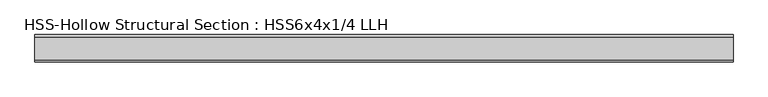
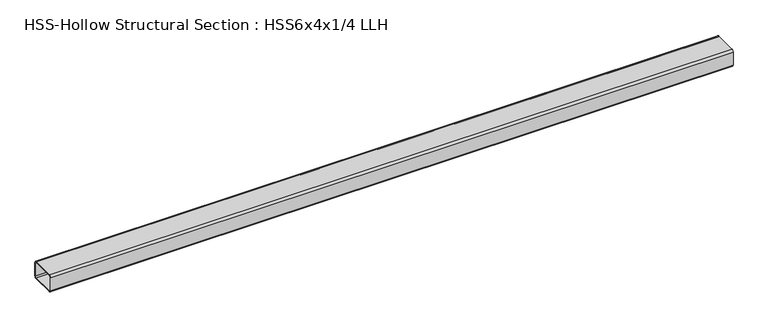
"""IFC4 building model written with IfcOpenShell, lengths in millimetres: beam geometry, HSS-Hollow Structural Section : HSS6x4x1/4 LLH."""

import ifcopenshell
import ifcopenshell.guid

model = None  # the IFC model being written
_history = None  # IfcOwnerHistory: only IFC2X3 demands one
_inside = {}  # id of a spatial element -> (the spatial element, [elements in it])
_under = {}  # id of a project, library or spatial element -> (it, [spatial elements below it])
_declared = {}  # id of a project -> (the project, [libraries it declares])
_typed = {}  # id of a type object -> (the type object, [elements of that type])
_made_of = {}  # id of a material, layer set ... -> (it, [elements and type objects made of it])


def new_model(schema):
    """Start an empty IFC model of exactly this schema.

    Asked for "IFC4X3", IfcOpenShell would pick the latest addendum, in which some entities
    have other attributes; the version numbers below select the first issue.
    IFC2X3 requires an IfcOwnerHistory on every rooted entity: one is made here for all.
    """
    global model, _history
    if schema == "IFC4X3":
        model = ifcopenshell.file(schema_version=(4, 3, 0, 0))
    else:
        model = ifcopenshell.file(schema=schema)
    _inside.clear()
    _under.clear()
    _declared.clear()
    _typed.clear()
    _made_of.clear()
    _history = None
    if model.schema == "IFC2X3":
        org = make("IfcOrganization", Name="unknown")
        user = make(
            "IfcPersonAndOrganization",
            ThePerson=make("IfcPerson", FamilyName="unknown"),
            TheOrganization=org,
        )
        app = make(
            "IfcApplication",
            ApplicationDeveloper=org,
            Version="unknown",
            ApplicationFullName="unknown",
            ApplicationIdentifier="unknown",
        )
        _history = make(
            "IfcOwnerHistory",
            OwningUser=user,
            OwningApplication=app,
            ChangeAction="ADDED",
            CreationDate=0,
        )
    return model


def make(cls, **values):
    """One entity of the class cls with the attributes given. An attribute that is None is left unset."""
    return model.create_entity(
        cls, **{name: value for name, value in values.items() if value is not None}
    )


def rooted(cls, **values):
    """An entity with a GlobalId (a new one), such as an element, a storey or a relation."""
    return make(cls, GlobalId=ifcopenshell.guid.new(), OwnerHistory=_history, **values)


def si_unit(unit_type, name, prefix=None):
    """IfcSIUnit, for example si_unit("LENGTHUNIT", "METRE", prefix="MILLI")."""
    return make("IfcSIUnit", UnitType=unit_type, Prefix=prefix, Name=name)


def assignment(units):
    """IfcUnitAssignment: the units of a project."""
    return None if units is None else make("IfcUnitAssignment", Units=units)


def point(xyz):
    """IfcCartesianPoint."""
    return None if xyz is None else make("IfcCartesianPoint", Coordinates=xyz)


def direction(xyz):
    """IfcDirection."""
    return None if xyz is None else make("IfcDirection", DirectionRatios=xyz)


def frame(location, z_axis=None, x_axis=None):
    """IfcAxis2Placement3D, a coordinate frame: its origin and axes. An axis left out is left unset."""
    return make(
        "IfcAxis2Placement3D",
        Location=point(location),
        Axis=direction(z_axis),
        RefDirection=direction(x_axis),
    )


def frame_2d(location, x_axis=None):
    """IfcAxis2Placement2D, a coordinate frame in the plane: its origin and x axis."""
    return make(
        "IfcAxis2Placement2D", Location=point(location), RefDirection=direction(x_axis)
    )


def origin():
    """The frame at (0, 0, 0) with its axes left unset."""
    return frame((0.0, 0.0, 0.0))


def place(relative_to, where):
    """IfcLocalPlacement: puts the frame where relative to a parent placement (None: the world)."""
    return make(
        "IfcLocalPlacement", PlacementRelTo=relative_to, RelativePlacement=where
    )


def context(
    kind, dimensions, precision=None, world=None, true_north=None, identifier=None
):
    """IfcGeometricRepresentationContext, for example the 3D "Model" context."""
    return make(
        "IfcGeometricRepresentationContext",
        ContextIdentifier=identifier,
        ContextType=kind,
        CoordinateSpaceDimension=dimensions,
        Precision=precision,
        WorldCoordinateSystem=world,
        TrueNorth=true_north,
    )


def project(units=None, contexts=None):
    """IfcProject with its units and contexts."""
    return rooted(
        "IfcProject",
        Name="project",
        RepresentationContexts=contexts,
        UnitsInContext=assignment(units),
    )


def spatial(cls, under=None, at=None, **own):
    """A site, building, storey or space (cls), placed at a placement, below another one or the project."""
    s = rooted(cls, ObjectPlacement=at, **own)
    if under is not None:
        _under.setdefault(under.id(), (under, []))[1].append(s)
    return s


def polyline(points):
    """IfcPolyline through the points."""
    return make("IfcPolyline", Points=[point(p) for p in points])


def circle_curve(where, radius):
    """IfcCircle in the frame where."""
    return make("IfcCircle", Position=where, Radius=radius)


def trimmed(basis, trim1, trim2, sense, master):
    """IfcTrimmedCurve: the piece of a basis curve between two trims."""
    return make(
        "IfcTrimmedCurve",
        BasisCurve=basis,
        Trim1=trim1,
        Trim2=trim2,
        SenseAgreement=sense,
        MasterRepresentation=master,
    )


def segment(curve, same_sense, transition):
    """IfcCompositeCurveSegment."""
    return make(
        "IfcCompositeCurveSegment",
        Transition=transition,
        SameSense=same_sense,
        ParentCurve=curve,
    )


def composite_curve(segments, self_intersect=None):
    """IfcCompositeCurve: segments joined end to end."""
    return make("IfcCompositeCurve", Segments=segments, SelfIntersect=self_intersect)


def outline(outer, holes=None, kind="AREA"):
    """IfcArbitraryClosedProfileDef: a profile drawn as a closed curve; with holes, ...WithVoids."""
    if holes is None:
        return make("IfcArbitraryClosedProfileDef", ProfileType=kind, OuterCurve=outer)
    return make(
        "IfcArbitraryProfileDefWithVoids",
        ProfileType=kind,
        OuterCurve=outer,
        InnerCurves=holes,
    )


def extrude(swept, where, along, depth):
    """IfcExtrudedAreaSolid: the profile swept, set in the frame where, extruded along a direction by depth."""
    return make(
        "IfcExtrudedAreaSolid",
        SweptArea=swept,
        Position=where,
        ExtrudedDirection=direction(along),
        Depth=depth,
    )


def shape(context_of_items, identifier, shape_type, items):
    """IfcShapeRepresentation: the items that make up one representation, for example the "Body"."""
    return make(
        "IfcShapeRepresentation",
        ContextOfItems=context_of_items,
        RepresentationIdentifier=identifier,
        RepresentationType=shape_type,
        Items=items,
    )


def source(mapping_origin, context_of_items, identifier, shape_type, items):
    """IfcRepresentationMap: a shape defined once, which mapped items show again and again."""
    return make(
        "IfcRepresentationMap",
        MappingOrigin=mapping_origin,
        MappedRepresentation=shape(context_of_items, identifier, shape_type, items),
    )


def transform(
    local_origin,
    x_axis=None,
    y_axis=None,
    z_axis=None,
    scale=None,
    scale2=None,
    scale3=None,
    uniform=True,
):
    """IfcCartesianTransformationOperator3D, or its non-uniform kind. x_axis, y_axis, z_axis: its Axis1, 2, 3."""
    if uniform:
        return make(
            "IfcCartesianTransformationOperator3D",
            Axis1=direction(x_axis),
            Axis2=direction(y_axis),
            LocalOrigin=point(local_origin),
            Scale=scale,
            Axis3=direction(z_axis),
        )
    return make(
        "IfcCartesianTransformationOperator3DnonUniform",
        Axis1=direction(x_axis),
        Axis2=direction(y_axis),
        LocalOrigin=point(local_origin),
        Scale=scale,
        Axis3=direction(z_axis),
        Scale2=scale2,
        Scale3=scale3,
    )


def mapped(mapping_source, mapping_target):
    """IfcMappedItem: shows the shape of a source again, moved by a transform."""
    return make(
        "IfcMappedItem", MappingSource=mapping_source, MappingTarget=mapping_target
    )


def made_of(thing, what):
    """Note that an element or type object is made of a material, layer set ...; save() writes the relation."""
    if what is not None:
        _made_of.setdefault(what.id(), (what, []))[1].append(thing)
    return thing


def element(
    cls,
    number,
    at=None,
    inside=None,
    cuts=None,
    type_object=None,
    material=None,
    context=None,
    identifier="Body",
    shape_type=None,
    held_by="IfcProductDefinitionShape",
    body=None,
    shapes=None,
    **own,
):
    """One element of the class cls, such as IfcWall. Its Tag is "e" and its number.

    at: its placement. inside: the storey or other place that contains it. cuts: it is an
    opening in that element (IfcRelVoidsElement). A single representation is given by context,
    identifier, shape_type and body (its items); several are given by shapes. held_by: the class
    of the entity that holds the representations. save() writes the other relations.
    """
    e = rooted(cls, Tag="e%d" % number, ObjectPlacement=at, **own)
    if body is not None:
        shapes = [shape(context, identifier, shape_type, body)]
    if shapes is not None:
        e.Representation = make(held_by, Representations=shapes)
    if inside is not None:
        _inside.setdefault(inside.id(), (inside, []))[1].append(e)
    if cuts is not None:
        rooted(
            "IfcRelVoidsElement", RelatingBuildingElement=cuts, RelatedOpeningElement=e
        )
    if type_object is not None:
        _typed.setdefault(type_object.id(), (type_object, []))[1].append(e)
    return made_of(e, material)


def aggregate(whole, parts):
    """IfcRelAggregates: a whole, such as a stair, and the parts it consists of."""
    return rooted("IfcRelAggregates", RelatingObject=whole, RelatedObjects=parts)


def save(model, path):
    """Write the relations noted so far, then the file.

    IfcRelAggregates (storeys below a building ...), IfcRelContainedInSpatialStructure (elements
    in a storey), IfcRelDefinesByType, IfcRelAssociatesMaterial and IfcRelDeclares: one each for
    every whole, place, type object, material and project.
    """
    for whole, parts in _under.values():
        aggregate(whole, parts)
    for where, things in _inside.values():
        rooted(
            "IfcRelContainedInSpatialStructure",
            RelatedElements=things,
            RelatingStructure=where,
        )
    for kind, things in _typed.values():
        rooted("IfcRelDefinesByType", RelatedObjects=things, RelatingType=kind)
    for what, things in _made_of.values():
        rooted("IfcRelAssociatesMaterial", RelatedObjects=things, RelatingMaterial=what)
    for by, libraries in _declared.values():
        rooted("IfcRelDeclares", RelatingContext=by, RelatedDefinitions=libraries)
    model.write(path)


def hss_hollow_structural_section_hss6x4x1_4_llh_87ea0888(model_context):
    return source(origin(), model_context, "Body", "SweptSolid", [
        extrude(outline(composite_curve([segment(polyline([(76.2, 38.9636), (76.2, -38.9636)]), True, "CONTINUOUS"), segment(trimmed(circle_curve(frame_2d((64.3636, -38.9636)), 11.8364), [point((76.2, -38.9636))], [point((64.3636, -50.8))], False, "CARTESIAN"), True, "CONTINUOUS"), segment(polyline([(64.3636, -50.8), (-64.3636, -50.8)]), True, "CONTINUOUS"), segment(trimmed(circle_curve(frame_2d((-64.3636, -38.9636)), 11.8364), [point((-64.3636, -50.8))], [point((-76.2, -38.9636))], False, "CARTESIAN"), True, "CONTINUOUS"), segment(polyline([(-76.2, -38.9636), (-76.2, 38.9636)]), True, "CONTINUOUS"), segment(trimmed(circle_curve(frame_2d((-64.3636, 38.9636)), 11.8364), [point((-76.2, 38.9636))], [point((-64.3636, 50.8))], False, "CARTESIAN"), True, "CONTINUOUS"), segment(polyline([(-64.3636, 50.8), (64.3636, 50.8)]), True, "CONTINUOUS"), segment(trimmed(circle_curve(frame_2d((64.3636, 38.9636)), 11.8364), [point((64.3636, 50.8))], [point((76.2, 38.9636))], False, "CARTESIAN"), True, "CONTINUOUS")], self_intersect=False), holes=[composite_curve([segment(trimmed(circle_curve(frame_2d((-64.3636, 38.9636)), 5.9182), [point((-64.3636, 44.8818))], [point((-70.2818, 38.9636))], True, "CARTESIAN"), True, "CONTINUOUS"), segment(polyline([(-70.2818, 38.9636), (-70.2818, -38.9636)]), True, "CONTINUOUS"), segment(trimmed(circle_curve(frame_2d((-64.3636, -38.9636)), 5.9182), [point((-70.2818, -38.9636))], [point((-64.3636, -44.8818))], True, "CARTESIAN"), True, "CONTINUOUS"), segment(polyline([(-64.3636, -44.8818), (64.3636, -44.8818)]), True, "CONTINUOUS"), segment(trimmed(circle_curve(frame_2d((64.3636, -38.9636)), 5.9182), [point((64.3636, -44.8818))], [point((70.2818, -38.9636))], True, "CARTESIAN"), True, "CONTINUOUS"), segment(polyline([(70.2818, -38.9636), (70.2818, 38.9636)]), True, "CONTINUOUS"), segment(trimmed(circle_curve(frame_2d((64.3636, 38.9636)), 5.9182), [point((70.2818, 38.9636))], [point((64.3636, 44.8818))], True, "CARTESIAN"), True, "CONTINUOUS"), segment(polyline([(64.3636, 44.8818), (-64.3636, 44.8818)]), True, "CONTINUOUS")], self_intersect=False)]), frame((-1949.45, 0.0, 0.0), z_axis=(1.0, 0.0, 0.0), x_axis=(0.0, 1.0, 0.0)), (0.0, 0.0, 1.0), 3898.9),
    ])


if __name__ == "__main__":
    model = new_model("IFC4")
    model_context = context("Model", 3, world=origin())
    ifc_project = project(units=[si_unit("LENGTHUNIT", "METRE", prefix="MILLI")], contexts=[model_context])
    site = spatial("IfcSite", under=ifc_project)
    building = spatial("IfcBuilding", under=site)
    placement = place(None, origin())
    hss_hollow_structural_section_hss6x4x1_4_llh_shape = hss_hollow_structural_section_hss6x4x1_4_llh_87ea0888(model_context)
    element("IfcBeam", 1, ObjectType="HSS-Hollow Structural Section : HSS6x4x1/4 LLH", at=placement, inside=building, context=model_context, shape_type="MappedRepresentation", body=[
        mapped(hss_hollow_structural_section_hss6x4x1_4_llh_shape, transform((0.0, 0.0, 0.0), x_axis=(1.0, 0.0, 0.0), y_axis=(0.0, 1.0, 0.0), z_axis=(0.0, 0.0, 1.0))),
    ])
    save(model, "model.ifc")
